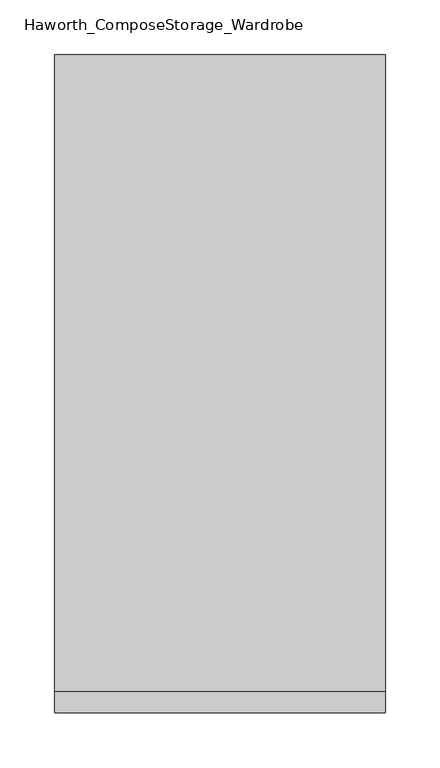
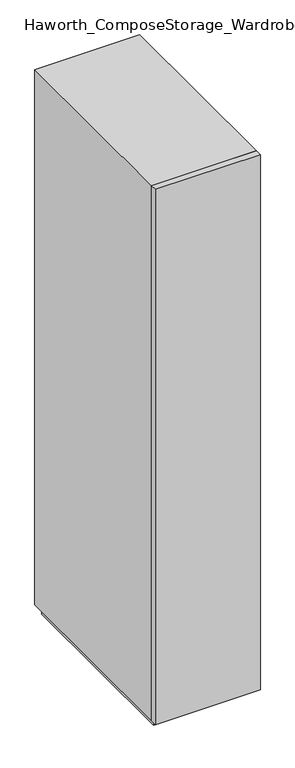
"""IFC4 building model written with IfcOpenShell, lengths in millimetres: furniture geometry, Haworth_ComposeStorage_Wardrobe."""

from ifc_helpers import new_model, si_unit, frame, origin, origin_with_axes, place, context, project, spatial, polyline, outline, extrude, faceted_brep, source, transform, mapped, element, save


def haworth_composestorage_wardrobe_f6e6d679(model_context):
    return source(origin(), model_context, "Body", "SolidModel", [
        extrude(outline(polyline([(150.8263906, -309.5625), (-150.7986094, -309.5625), (-150.7986094, -290.5125), (150.8263906, -290.5125), (150.8263906, -309.5625)])), frame((0.0, 0.0, 25.4), z_axis=(0.0, 0.0, 1.0), x_axis=(1.0, 0.0, 0.0)), (0.0, 0.0, 1.0), 1625.6),
        faceted_brep([(-150.7986094, -290.5125, 25.4), (150.8263906, -290.5125, 25.4), (150.8263906, -290.5125, 1651.0), (-150.7986094, -290.5125, 1651.0), (-131.7486094, -290.5125, 44.45), (-131.7486094, -290.5125, 1631.95), (131.7486094, -290.5125, 1631.95), (131.7486094, -290.5125, 44.45), (-150.7986094, 290.5125, 25.4), (-150.7986094, 290.5125, 1651.0), (150.8263906, 290.5125, 1651.0), (150.8263906, 290.5125, 25.4), (-131.7486094, 271.4625, 44.45), (-131.7486094, 271.4625, 1631.95), (131.7486094, 271.4625, 1631.95), (131.7486094, 271.4625, 44.45)], [[[0, 1, 2, 3], [4, 5, 6, 7]], [[8, 9, 10, 11]], [[1, 0, 8, 11]], [[2, 1, 11, 10]], [[3, 2, 10, 9]], [[0, 3, 9, 8]], [[5, 4, 12, 13]], [[6, 5, 13, 14]], [[7, 6, 14, 15]], [[4, 7, 15, 12]], [[13, 12, 15, 14]]]),
        extrude(outline(polyline([(138.1263906, -277.8125), (-138.0986094, -277.8125), (-138.0986094, 277.8125), (138.1263906, 277.8125), (138.1263906, -277.8125)])), origin_with_axes(), (0.0, 0.0, 1.0), 25.4),
    ])


if __name__ == "__main__":
    model = new_model("IFC4")
    model_context = context("Model", 3, world=origin())
    ifc_project = project(units=[si_unit("LENGTHUNIT", "METRE", prefix="MILLI")], contexts=[model_context])
    site = spatial("IfcSite", under=ifc_project)
    building = spatial("IfcBuilding", under=site)
    placement = place(None, origin())
    haworth_composestorage_wardrobe_shape = haworth_composestorage_wardrobe_f6e6d679(model_context)
    element("IfcFurniture", 1, ObjectType="Haworth_ComposeStorage_Wardrobe", at=placement, inside=building, context=model_context, shape_type="MappedRepresentation", body=[
        mapped(haworth_composestorage_wardrobe_shape, transform((0.0, 0.0, 0.0), x_axis=(1.0, 0.0, 0.0), y_axis=(0.0, 1.0, 0.0), z_axis=(0.0, 0.0, 1.0))),
    ])
    save(model, "model.ifc")
